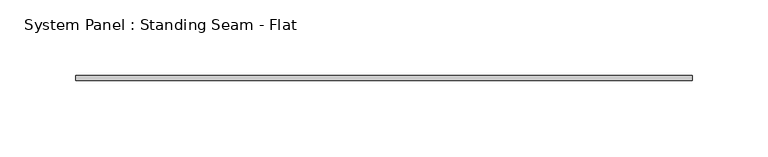
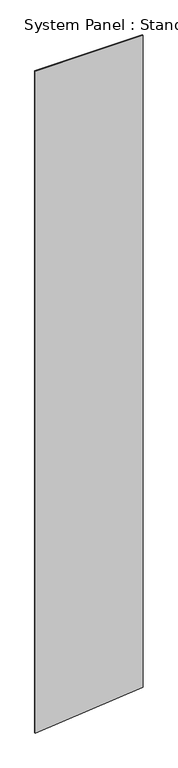
"""IFC4 building model written with IfcOpenShell, lengths in millimetres: plate geometry, System Panel : Standing Seam - Flat."""

from ifc_helpers import new_model, si_unit, frame, origin, place, context, project, spatial, polyline, outline, extrude, source, transform, mapped, element, save


def system_panel_standing_seam_flat_7e797a02(model_context):
    return source(origin(), model_context, "Body", "SweptSolid", [
        extrude(outline(polyline([(0.0, -203.2), (41.2973855, 203.2), (2640.2083744, 203.2), (2640.2083744, -203.2), (0.0, -203.2)])), frame((0.0, -1.5875, 0.0), z_axis=(0.0, 1.0, 0.0), x_axis=(0.0, 0.0, 1.0)), (0.0, 0.0, 1.0), 3.175),
    ])


if __name__ == "__main__":
    model = new_model("IFC4")
    model_context = context("Model", 3, world=origin())
    ifc_project = project(units=[si_unit("LENGTHUNIT", "METRE", prefix="MILLI")], contexts=[model_context])
    site = spatial("IfcSite", under=ifc_project)
    building = spatial("IfcBuilding", under=site)
    placement = place(None, origin())
    system_panel_standing_seam_flat_shape = system_panel_standing_seam_flat_7e797a02(model_context)
    element("IfcPlate", 1, ObjectType="System Panel : Standing Seam - Flat", at=placement, inside=building, context=model_context, shape_type="MappedRepresentation", body=[
        mapped(system_panel_standing_seam_flat_shape, transform((0.0, 0.0, 0.0), x_axis=(1.0, 0.0, 0.0), y_axis=(0.0, 1.0, 0.0), z_axis=(0.0, 0.0, 1.0))),
    ])
    save(model, "model.ifc")
